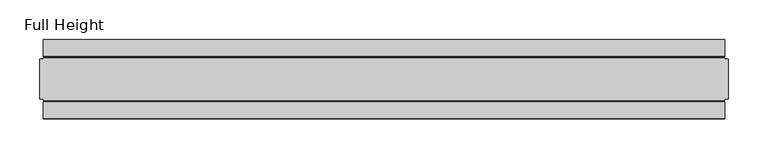
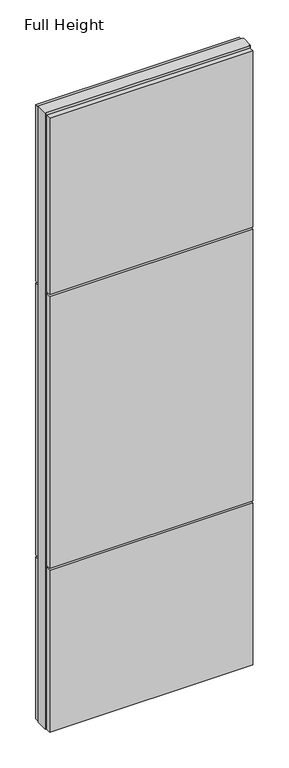
"""IFC4 building model written with IfcOpenShell, lengths in millimetres: plate geometry, Full Height."""

from ifc_helpers import new_model, si_unit, frame, origin, origin_with_axes, place, context, project, spatial, polyline, outline, extrude, source, transform, mapped, element, save


def full_height_251b4c22(model_context):
    return source(origin(), model_context, "Body", "SweptSolid", [
        extrude(outline(polyline([(427.228, 28.956), (-427.228, 28.956), (-427.228, 49.53), (427.228, 49.53), (427.228, 28.956)])), frame((0.0, 0.0, 1949.196), z_axis=(0.0, 0.0, 1.0), x_axis=(1.0, 0.0, 0.0)), (0.0, 0.0, 1.0), 784.86),
        extrude(outline(polyline([(427.228, 28.956), (-427.228, 28.956), (-427.228, 49.53), (427.228, 49.53), (427.228, 28.956)])), frame((0.0, 0.0, 729.996), z_axis=(0.0, 0.0, 1.0), x_axis=(1.0, 0.0, 0.0)), (0.0, 0.0, 1.0), 1210.056),
        extrude(outline(polyline([(427.228, 28.956), (-427.228, 28.956), (-427.228, 49.53), (427.228, 49.53), (427.228, 28.956)])), origin_with_axes(), (0.0, 0.0, 1.0), 720.852),
        extrude(outline(polyline([(427.228, -28.956), (427.228, -49.53), (-427.228, -49.53), (-427.228, -28.956), (427.228, -28.956)])), frame((0.0, 0.0, 1949.196), z_axis=(0.0, 0.0, 1.0), x_axis=(1.0, 0.0, 0.0)), (0.0, 0.0, 1.0), 784.86),
        extrude(outline(polyline([(427.228, -28.956), (427.228, -49.53), (-427.228, -49.53), (-427.228, -28.956), (427.228, -28.956)])), frame((0.0, 0.0, 729.996), z_axis=(0.0, 0.0, 1.0), x_axis=(1.0, 0.0, 0.0)), (0.0, 0.0, 1.0), 1210.056),
        extrude(outline(polyline([(427.228, -28.956), (427.228, -49.53), (-427.228, -49.53), (-427.228, -28.956), (427.228, -28.956)])), origin_with_axes(), (0.0, 0.0, 1.0), 720.852),
        extrude(outline(polyline([(427.228, -25.146), (427.228, -26.67), (-427.228, -26.67), (-427.228, -25.146), (-431.8, -25.146), (-431.8, 25.146), (-427.228, 25.146), (-427.228, 26.67), (427.228, 26.67), (427.228, 25.146), (431.8, 25.146), (431.8, -25.146), (427.228, -25.146)])), origin_with_axes(), (0.0, 0.0, 1.0), 2743.2),
    ])


if __name__ == "__main__":
    model = new_model("IFC4")
    model_context = context("Model", 3, world=origin())
    ifc_project = project(units=[si_unit("LENGTHUNIT", "METRE", prefix="MILLI")], contexts=[model_context])
    site = spatial("IfcSite", under=ifc_project)
    building = spatial("IfcBuilding", under=site)
    placement = place(None, origin())
    full_height_shape = full_height_251b4c22(model_context)
    element("IfcPlate", 1, ObjectType="Full Height", at=placement, inside=building, context=model_context, shape_type="MappedRepresentation", body=[
        mapped(full_height_shape, transform((0.0, 0.0, 0.0), x_axis=(1.0, 0.0, 0.0), y_axis=(0.0, 1.0, 0.0), z_axis=(0.0, 0.0, 1.0))),
    ])
    save(model, "model.ifc")
